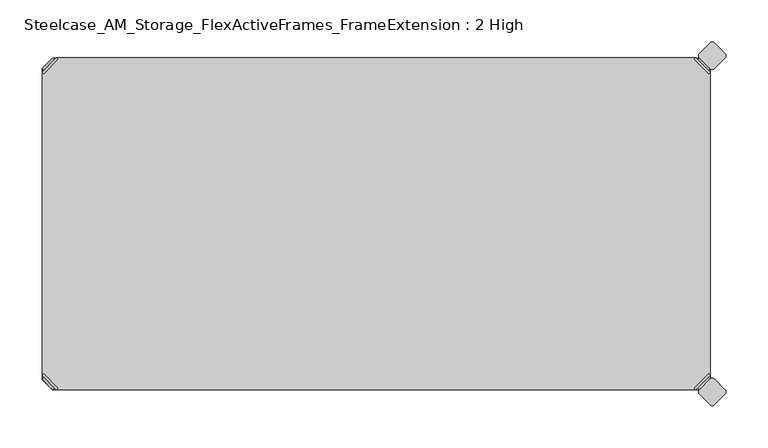
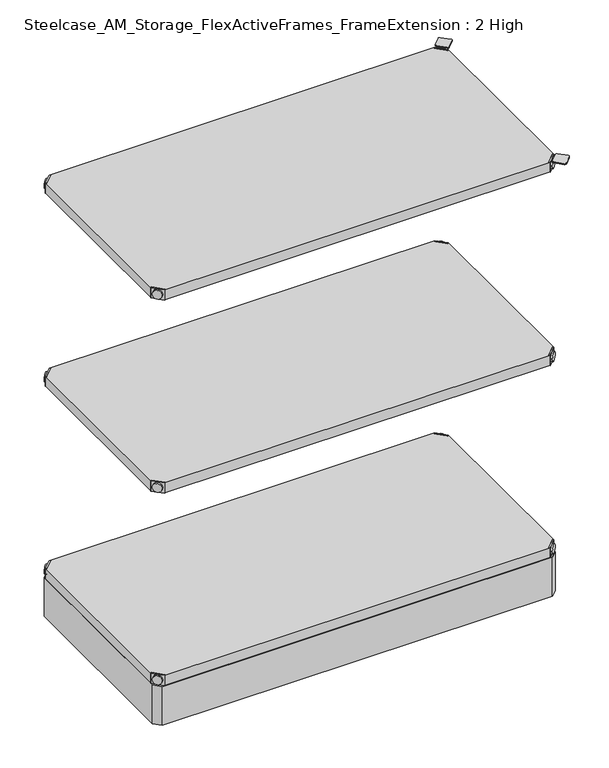
"""IFC4 building model written with IfcOpenShell, lengths in millimetres: furniture geometry, Steelcase_AM_Storage_FlexActiveFrames_FrameExtension : 2 High."""

from ifc_helpers import new_model, si_unit, point, frame, frame_2d, origin, place, context, project, spatial, polyline, circle_curve, trimmed, segment, composite_curve, outline, extrude, source, transform, mapped, element, save
from ifc_brep_helpers import plane_surface, cylinder_surface, advanced_brep


def steelcase_am_storage_flexactiveframes_frameextension_2_high_49f79886(model_context):
    return source(origin(), model_context, "Body", "SolidModel", [
        advanced_brep(
        [(2.54, 380.2870969, 520.2936), (4.3360512, 378.4910456, 520.2936), (21.5589544, 395.7139488, 520.2936), (19.7629031, 397.51, 520.2936), (19.7629031, 397.51, 498.9576), (2.54, 380.2870969, 498.9576), (4.8652723, 382.6123691, 510.1336), (17.4376309, 395.1847277, 510.1336), (30.2920522, 352.5350447, 499.9736), (47.5149553, 369.7579478, 499.9736), (21.5589544, 395.7139488, 499.9736), (4.3360512, 378.4910456, 499.9736), (30.2920522, 352.5350447, 498.9576), (47.5149553, 369.7579478, 498.9576), (15.1227513, 397.4996073, 510.1336), (2.5503927, 384.9272487, 510.1336)],
        [
            (0, 1),
            (1, 2),
            (2, 3),
            (3, 0),
            (3, 4),
            (4, 5),
            (5, 0),
            (6, 7, circle_curve(frame((11.1514516, 388.8985484, 510.1336), z_axis=(0.7071067811865446, -0.7071067811865505, 0.0), x_axis=(-0.7071067811865505, -0.7071067811865446, 0.0)), 8.89)),
            (7, 6, circle_curve(frame((11.1514516, 388.8985484, 510.1336), z_axis=(0.7071067811865446, -0.7071067811865505, 0.0), x_axis=(-0.7071067811865505, -0.7071067811865446, 0.0)), 8.89)),
            (8, 9, circle_curve(frame((38.9035037, 361.1464963, 499.9736), z_axis=(0.0, 0.0, 1.0), x_axis=(1.0, 0.0, 0.0)), 12.1784316)),
            (9, 10),
            (10, 11),
            (11, 8),
            (12, 5),
            (4, 13),
            (13, 12, circle_curve(frame((38.9035037, 361.1464963, 498.9576), z_axis=(0.0, 0.0, -1.0), x_axis=(1.0, 0.0, 0.0)), 12.1784316)),
            (14, 15, circle_curve(frame((8.836572, 391.213428, 510.1336), z_axis=(-0.7071067811865446, 0.7071067811865505, 0.0), x_axis=(-0.7071067811865505, -0.7071067811865446, 0.0)), 8.89)),
            (15, 14, circle_curve(frame((8.836572, 391.213428, 510.1336), z_axis=(-0.7071067811865446, 0.7071067811865505, 0.0), x_axis=(-0.7071067811865505, -0.7071067811865446, 0.0)), 8.89)),
            (14, 7),
            (6, 15),
            (1, 11),
            (10, 2),
            (8, 12),
            (13, 9),
        ],
        [
            plane_surface(frame((-19.6579872, 402.485084, 520.2936), z_axis=(0.0, 0.0, 1.0000000000000002), x_axis=(0.7071067811865436, -0.7071067811865516, 0.0))),
            plane_surface(frame((19.7629031, 397.51, 520.2936), z_axis=(-0.7071067811865447, 0.7071067811865503, 0.0), x_axis=(0.0, 0.0, -1.0))),
            plane_surface(frame((51.0819353, 361.1464963, 499.9736), z_axis=(0.0, 0.0, 1.0), x_axis=(0.0, 1.0, 0.0))),
            plane_surface(frame((51.0819353, 361.1464963, 498.9576), z_axis=(0.0, 0.0, -1.0), x_axis=(0.0, -1.0, 0.0))),
            plane_surface(frame((2.5503927, 384.9272487, 510.1336), z_axis=(-0.7071067811865446, 0.7071067811865505, 0.0), x_axis=(0.0, 0.0, 1.0))),
            cylinder_surface(frame((11.1514516, 388.8985484, 510.1336), z_axis=(-0.7071067811865446, 0.7071067811865505, 0.0), x_axis=(-0.7071067811865505, -0.7071067811865446, 0.0)), 8.89),
            plane_surface(frame((4.3360512, 378.4910456, 520.2936), z_axis=(0.7071067811865447, -0.7071067811865503, 0.0), x_axis=(0.0, 0.0, -1.0))),
            cylinder_surface(frame((38.9035037, 361.1464963, 498.9576), z_axis=(0.0, 0.0, 1.0), x_axis=(1.0, 0.0, 0.0)), 12.1784316),
            plane_surface(frame((2.54, 380.2870969, 520.2936), z_axis=(-0.7071067811865516, -0.7071067811865436, 0.0), x_axis=(0.0, 0.0, -1.0))),
            plane_surface(frame((21.5589544, 395.7139488, 520.2936), z_axis=(0.7071067811865513, 0.7071067811865437, 0.0), x_axis=(0.0, 0.0, -1.0))),
        ],
        [
            (0, [[1, 2, 3, 4]]),
            (1, [[-4, 5, 6, 7], [8, 9]]),
            (2, [[10, 11, 12, 13]]),
            (3, [[14, -6, 15, 16]]),
            (4, [[17, 18]]),
            (5, [[-17, 19, -8, 20]]),
            (5, [[-18, -20, -9, -19]]),
            (6, [[-2, 21, -12, 22]]),
            (7, [[-10, 23, -16, 24]]),
            (8, [[-1, -7, -14, -23, -13, -21]]),
            (9, [[-3, -22, -11, -24, -15, -5]]),
        ],
    ),
        advanced_brep(
        [(797.56, 380.2870969, 520.2936), (780.3370969, 397.51, 520.2936), (778.5410456, 395.7139488, 520.2936), (795.7639488, 378.4910456, 520.2936), (797.56, 380.2870969, 498.9576), (780.3370969, 397.51, 498.9576), (795.2347277, 382.6123691, 510.1336), (782.6623691, 395.1847277, 510.1336), (769.8079478, 352.5350447, 499.9736), (795.7639488, 378.4910456, 499.9736), (778.5410456, 395.7139488, 499.9736), (752.5850447, 369.7579478, 499.9736), (769.8079478, 352.5350447, 498.9576), (752.5850447, 369.7579478, 498.9576), (784.9772487, 397.4996073, 510.1336), (797.5496073, 384.9272487, 510.1336)],
        [
            (0, 1),
            (1, 2),
            (2, 3),
            (3, 0),
            (0, 4),
            (4, 5),
            (5, 1),
            (6, 7, circle_curve(frame((788.9485484, 388.8985484, 510.1336), z_axis=(-0.7071067811865446, -0.7071067811865505, 0.0), x_axis=(0.7071067811865505, -0.7071067811865446, 0.0)), 8.89)),
            (7, 6, circle_curve(frame((788.9485484, 388.8985484, 510.1336), z_axis=(-0.7071067811865446, -0.7071067811865505, 0.0), x_axis=(0.7071067811865505, -0.7071067811865446, 0.0)), 8.89)),
            (8, 9),
            (9, 10),
            (10, 11),
            (11, 8, circle_curve(frame((761.1964963, 361.1464963, 499.9736), z_axis=(0.0, 0.0, 1.0), x_axis=(-1.0, 0.0, 0.0)), 12.1784316)),
            (12, 13, circle_curve(frame((761.1964963, 361.1464963, 498.9576), z_axis=(0.0, 0.0, -1.0), x_axis=(-1.0, 0.0, 0.0)), 12.1784316)),
            (13, 5),
            (4, 12),
            (14, 15, circle_curve(frame((791.263428, 391.213428, 510.1336), z_axis=(0.7071067811865446, 0.7071067811865505, 0.0), x_axis=(0.7071067811865505, -0.7071067811865446, 0.0)), 8.89)),
            (15, 14, circle_curve(frame((791.263428, 391.213428, 510.1336), z_axis=(0.7071067811865446, 0.7071067811865505, 0.0), x_axis=(0.7071067811865505, -0.7071067811865446, 0.0)), 8.89)),
            (15, 6),
            (7, 14),
            (2, 10),
            (9, 3),
            (11, 13),
            (12, 8),
        ],
        [
            plane_surface(frame((819.7579872, 402.485084, 520.2936), z_axis=(0.0, 0.0, 1.0000000000000002), x_axis=(-0.7071067811865436, -0.7071067811865516, 0.0))),
            plane_surface(frame((780.3370969, 397.51, 520.2936), z_axis=(0.7071067811865447, 0.7071067811865503, 0.0), x_axis=(0.0, 0.0, -1.0))),
            plane_surface(frame((749.0180647, 361.1464963, 499.9736), z_axis=(0.0, 0.0, 1.0), x_axis=(0.0, 1.0, 0.0))),
            plane_surface(frame((749.0180647, 361.1464963, 498.9576), z_axis=(0.0, 0.0, -1.0), x_axis=(0.0, -1.0, 0.0))),
            plane_surface(frame((797.5496073, 384.9272487, 510.1336), z_axis=(0.7071067811865446, 0.7071067811865505, 0.0), x_axis=(0.0, 0.0, 1.0))),
            cylinder_surface(frame((788.9485484, 388.8985484, 510.1336), z_axis=(0.7071067811865446, 0.7071067811865505, 0.0), x_axis=(0.7071067811865505, -0.7071067811865446, 0.0)), 8.89),
            plane_surface(frame((795.7639488, 378.4910456, 520.2936), z_axis=(-0.7071067811865447, -0.7071067811865503, 0.0), x_axis=(0.0, 0.0, -1.0))),
            cylinder_surface(frame((761.1964963, 361.1464963, 498.9576), z_axis=(0.0, 0.0, 1.0), x_axis=(-1.0, 0.0, 0.0)), 12.1784316),
            plane_surface(frame((797.56, 380.2870969, 520.2936), z_axis=(0.7071067811865516, -0.7071067811865436, 0.0), x_axis=(0.0, 0.0, -1.0))),
            plane_surface(frame((778.5410456, 395.7139488, 520.2936), z_axis=(-0.7071067811865513, 0.7071067811865437, 0.0), x_axis=(0.0, 0.0, -1.0))),
        ],
        [
            (0, [[1, 2, 3, 4]]),
            (1, [[5, 6, 7, -1], [8, 9]]),
            (2, [[10, 11, 12, 13]]),
            (3, [[14, 15, -6, 16]]),
            (4, [[17, 18]]),
            (5, [[19, -9, 20, -18]]),
            (5, [[-20, -8, -19, -17]]),
            (6, [[21, -11, 22, -3]]),
            (7, [[23, -14, 24, -13]]),
            (8, [[-22, -10, -24, -16, -5, -4]]),
            (9, [[-7, -15, -23, -12, -21, -2]]),
        ],
    ),
        advanced_brep(
        [(797.56, 19.7629031, 520.2936), (795.7639488, 21.5589544, 520.2936), (778.5410456, 4.3360512, 520.2936), (780.3370969, 2.54, 520.2936), (780.3370969, 2.54, 498.9576), (797.56, 19.7629031, 498.9576), (795.2347277, 17.4376309, 510.1336), (782.6623691, 4.8652723, 510.1336), (769.8079478, 47.5149553, 499.9736), (752.5850447, 30.2920522, 499.9736), (778.5410456, 4.3360512, 499.9736), (795.7639488, 21.5589544, 499.9736), (769.8079478, 47.5149553, 498.9576), (752.5850447, 30.2920522, 498.9576), (784.9772487, 2.5503927, 510.1336), (797.5496073, 15.1227513, 510.1336)],
        [
            (0, 1),
            (1, 2),
            (2, 3),
            (3, 0),
            (3, 4),
            (4, 5),
            (5, 0),
            (6, 7, circle_curve(frame((788.9485484, 11.1514516, 510.1336), z_axis=(-0.7071067811865469, 0.7071067811865481, 0.0), x_axis=(0.7071067811865481, 0.7071067811865469, 0.0)), 8.89)),
            (7, 6, circle_curve(frame((788.9485484, 11.1514516, 510.1336), z_axis=(-0.7071067811865469, 0.7071067811865481, 0.0), x_axis=(0.7071067811865481, 0.7071067811865469, 0.0)), 8.89)),
            (8, 9, circle_curve(frame((761.1964963, 38.9035037, 499.9736), z_axis=(0.0, 0.0, 1.0), x_axis=(-1.0, 0.0, 0.0)), 12.1784316)),
            (9, 10),
            (10, 11),
            (11, 8),
            (12, 5),
            (4, 13),
            (13, 12, circle_curve(frame((761.1964963, 38.9035037, 498.9576), z_axis=(0.0, 0.0, -1.0), x_axis=(-1.0, 0.0, 0.0)), 12.1784316)),
            (14, 15, circle_curve(frame((791.263428, 8.836572, 510.1336), z_axis=(0.7071067811865469, -0.7071067811865481, 0.0), x_axis=(0.7071067811865481, 0.7071067811865469, 0.0)), 8.89)),
            (15, 14, circle_curve(frame((791.263428, 8.836572, 510.1336), z_axis=(0.7071067811865469, -0.7071067811865481, 0.0), x_axis=(0.7071067811865481, 0.7071067811865469, 0.0)), 8.89)),
            (14, 7),
            (6, 15),
            (1, 11),
            (10, 2),
            (8, 12),
            (13, 9),
        ],
        [
            plane_surface(frame((819.7579872, -2.435084, 520.2936), z_axis=(0.0, 0.0, 1.0000000000000002), x_axis=(-0.7071067811865459, 0.7071067811865492, 0.0))),
            plane_surface(frame((780.3370969, 2.54, 520.2936), z_axis=(0.707106781186547, -0.707106781186548, 0.0), x_axis=(0.0, 0.0, -1.0))),
            plane_surface(frame((749.0180647, 38.9035037, 499.9736), z_axis=(0.0, 0.0, 1.0), x_axis=(0.0, -1.0, 0.0))),
            plane_surface(frame((749.0180647, 38.9035037, 498.9576), z_axis=(0.0, 0.0, -1.0), x_axis=(0.0, 1.0, 0.0))),
            plane_surface(frame((797.5496073, 15.1227513, 510.1336), z_axis=(0.7071067811865469, -0.7071067811865481, 0.0), x_axis=(0.0, 0.0, 1.0))),
            cylinder_surface(frame((788.9485484, 11.1514516, 510.1336), z_axis=(0.7071067811865469, -0.7071067811865481, 0.0), x_axis=(0.7071067811865481, 0.7071067811865469, 0.0)), 8.89),
            plane_surface(frame((795.7639488, 21.5589544, 520.2936), z_axis=(-0.707106781186547, 0.707106781186548, 0.0), x_axis=(0.0, 0.0, -1.0))),
            cylinder_surface(frame((761.1964963, 38.9035037, 498.9576), z_axis=(0.0, 0.0, 1.0), x_axis=(-1.0, 0.0, 0.0)), 12.1784316),
            plane_surface(frame((797.56, 19.7629031, 520.2936), z_axis=(0.7071067811865492, 0.7071067811865459, 0.0), x_axis=(0.0, 0.0, -1.0))),
            plane_surface(frame((778.5410456, 4.3360512, 520.2936), z_axis=(-0.707106781186549, -0.707106781186546, 0.0), x_axis=(0.0, 0.0, -1.0))),
        ],
        [
            (0, [[1, 2, 3, 4]]),
            (1, [[-4, 5, 6, 7], [8, 9]]),
            (2, [[10, 11, 12, 13]]),
            (3, [[14, -6, 15, 16]]),
            (4, [[17, 18]]),
            (5, [[-17, 19, -8, 20]]),
            (5, [[-18, -20, -9, -19]]),
            (6, [[-2, 21, -12, 22]]),
            (7, [[-10, 23, -16, 24]]),
            (8, [[-1, -7, -14, -23, -13, -21]]),
            (9, [[-3, -22, -11, -24, -15, -5]]),
        ],
    ),
        advanced_brep(
        [(2.54, 19.7629031, 520.2936), (19.7629031, 2.54, 520.2936), (21.5589544, 4.3360512, 520.2936), (4.3360512, 21.5589544, 520.2936), (2.54, 19.7629031, 498.9576), (19.7629031, 2.54, 498.9576), (4.8652723, 17.4376309, 510.1336), (17.4376309, 4.8652723, 510.1336), (30.2920522, 47.5149553, 499.9736), (4.3360512, 21.5589544, 499.9736), (21.5589544, 4.3360512, 499.9736), (47.5149553, 30.2920522, 499.9736), (30.2920522, 47.5149553, 498.9576), (47.5149553, 30.2920522, 498.9576), (15.1227513, 2.5503927, 510.1336), (2.5503927, 15.1227513, 510.1336)],
        [
            (0, 1),
            (1, 2),
            (2, 3),
            (3, 0),
            (0, 4),
            (4, 5),
            (5, 1),
            (6, 7, circle_curve(frame((11.1514516, 11.1514516, 510.1336), z_axis=(0.7071067811865469, 0.7071067811865481, 0.0), x_axis=(-0.7071067811865481, 0.7071067811865469, 0.0)), 8.89)),
            (7, 6, circle_curve(frame((11.1514516, 11.1514516, 510.1336), z_axis=(0.7071067811865469, 0.7071067811865481, 0.0), x_axis=(-0.7071067811865481, 0.7071067811865469, 0.0)), 8.89)),
            (8, 9),
            (9, 10),
            (10, 11),
            (11, 8, circle_curve(frame((38.9035037, 38.9035037, 499.9736), z_axis=(0.0, 0.0, 1.0), x_axis=(1.0, 0.0, 0.0)), 12.1784316)),
            (12, 13, circle_curve(frame((38.9035037, 38.9035037, 498.9576), z_axis=(0.0, 0.0, -1.0), x_axis=(1.0, 0.0, 0.0)), 12.1784316)),
            (13, 5),
            (4, 12),
            (14, 15, circle_curve(frame((8.836572, 8.836572, 510.1336), z_axis=(-0.7071067811865469, -0.7071067811865481, 0.0), x_axis=(-0.7071067811865481, 0.7071067811865469, 0.0)), 8.89)),
            (15, 14, circle_curve(frame((8.836572, 8.836572, 510.1336), z_axis=(-0.7071067811865469, -0.7071067811865481, 0.0), x_axis=(-0.7071067811865481, 0.7071067811865469, 0.0)), 8.89)),
            (15, 6),
            (7, 14),
            (2, 10),
            (9, 3),
            (11, 13),
            (12, 8),
        ],
        [
            plane_surface(frame((-19.6579872, -2.435084, 520.2936), z_axis=(0.0, 0.0, 1.0000000000000002), x_axis=(0.7071067811865459, 0.7071067811865492, 0.0))),
            plane_surface(frame((19.7629031, 2.54, 520.2936), z_axis=(-0.707106781186547, -0.707106781186548, 0.0), x_axis=(0.0, 0.0, -1.0))),
            plane_surface(frame((51.0819353, 38.9035037, 499.9736), z_axis=(0.0, 0.0, 1.0), x_axis=(0.0, -1.0, 0.0))),
            plane_surface(frame((51.0819353, 38.9035037, 498.9576), z_axis=(0.0, 0.0, -1.0), x_axis=(0.0, 1.0, 0.0))),
            plane_surface(frame((2.5503927, 15.1227513, 510.1336), z_axis=(-0.7071067811865469, -0.7071067811865481, 0.0), x_axis=(0.0, 0.0, 1.0))),
            cylinder_surface(frame((11.1514516, 11.1514516, 510.1336), z_axis=(-0.7071067811865469, -0.7071067811865481, 0.0), x_axis=(-0.7071067811865481, 0.7071067811865469, 0.0)), 8.89),
            plane_surface(frame((4.3360512, 21.5589544, 520.2936), z_axis=(0.707106781186547, 0.707106781186548, 0.0), x_axis=(0.0, 0.0, -1.0))),
            cylinder_surface(frame((38.9035037, 38.9035037, 498.9576), z_axis=(0.0, 0.0, 1.0), x_axis=(1.0, 0.0, 0.0)), 12.1784316),
            plane_surface(frame((2.54, 19.7629031, 520.2936), z_axis=(-0.7071067811865492, 0.7071067811865459, 0.0), x_axis=(0.0, 0.0, -1.0))),
            plane_surface(frame((21.5589544, 4.3360512, 520.2936), z_axis=(0.707106781186549, -0.707106781186546, 0.0), x_axis=(0.0, 0.0, -1.0))),
        ],
        [
            (0, [[1, 2, 3, 4]]),
            (1, [[5, 6, 7, -1], [8, 9]]),
            (2, [[10, 11, 12, 13]]),
            (3, [[14, 15, -6, 16]]),
            (4, [[17, 18]]),
            (5, [[19, -9, 20, -18]]),
            (5, [[-20, -8, -19, -17]]),
            (6, [[21, -11, 22, -3]]),
            (7, [[23, -14, 24, -13]]),
            (8, [[-22, -10, -24, -16, -5, -4]]),
            (9, [[-7, -15, -23, -12, -21, -2]]),
        ],
    ),
        extrude(outline(polyline([(19.7629031, 2.54), (21.5589544, 4.3360512), (4.3360512, 21.5589544), (2.54, 19.7629031), (2.54, 380.2870969), (4.3360512, 378.4910456), (21.5589544, 395.7139488), (19.7629031, 397.51), (780.3370969, 397.51), (778.5410456, 395.7139488), (795.7639488, 378.4910456), (797.56, 380.2870969), (797.56, 19.7629031), (795.7639488, 21.5589544), (778.5410456, 4.3360512), (780.3370969, 2.54), (19.7629031, 2.54)])), frame((0.0, 0.0, 499.9736), z_axis=(0.0, 0.0, 1.0), x_axis=(1.0, 0.0, 0.0)), (0.0, 0.0, 1.0), 20.32),
        advanced_brep(
        [(2.54, 380.2870969, 923.29), (4.3360512, 378.4910456, 923.29), (21.5589544, 395.7139488, 923.29), (19.7629031, 397.51, 923.29), (19.7629031, 397.51, 901.954), (2.54, 380.2870969, 901.954), (4.8652723, 382.6123691, 913.13), (17.4376309, 395.1847277, 913.13), (30.2920522, 352.5350447, 902.97), (47.5149553, 369.7579478, 902.97), (21.5589544, 395.7139488, 902.97), (4.3360512, 378.4910456, 902.97), (30.2920522, 352.5350447, 901.954), (47.5149553, 369.7579478, 901.954), (15.1227513, 397.4996073, 913.13), (2.5503927, 384.9272487, 913.13)],
        [
            (0, 1),
            (1, 2),
            (2, 3),
            (3, 0),
            (3, 4),
            (4, 5),
            (5, 0),
            (6, 7, circle_curve(frame((11.1514516, 388.8985484, 913.13), z_axis=(0.7071067811865446, -0.7071067811865505, 0.0), x_axis=(-0.7071067811865505, -0.7071067811865446, 0.0)), 8.89)),
            (7, 6, circle_curve(frame((11.1514516, 388.8985484, 913.13), z_axis=(0.7071067811865446, -0.7071067811865505, 0.0), x_axis=(-0.7071067811865505, -0.7071067811865446, 0.0)), 8.89)),
            (8, 9, circle_curve(frame((38.9035037, 361.1464963, 902.97), z_axis=(0.0, 0.0, 1.0), x_axis=(1.0, 0.0, 0.0)), 12.1784316)),
            (9, 10),
            (10, 11),
            (11, 8),
            (12, 5),
            (4, 13),
            (13, 12, circle_curve(frame((38.9035037, 361.1464963, 901.954), z_axis=(0.0, 0.0, -1.0), x_axis=(1.0, 0.0, 0.0)), 12.1784316)),
            (14, 15, circle_curve(frame((8.836572, 391.213428, 913.13), z_axis=(-0.7071067811865446, 0.7071067811865505, 0.0), x_axis=(-0.7071067811865505, -0.7071067811865446, 0.0)), 8.89)),
            (15, 14, circle_curve(frame((8.836572, 391.213428, 913.13), z_axis=(-0.7071067811865446, 0.7071067811865505, 0.0), x_axis=(-0.7071067811865505, -0.7071067811865446, 0.0)), 8.89)),
            (14, 7),
            (6, 15),
            (1, 11),
            (10, 2),
            (8, 12),
            (13, 9),
        ],
        [
            plane_surface(frame((-19.6579872, 402.485084, 923.29), z_axis=(0.0, 0.0, 1.0000000000000002), x_axis=(0.7071067811865436, -0.7071067811865516, 0.0))),
            plane_surface(frame((19.7629031, 397.51, 923.29), z_axis=(-0.7071067811865447, 0.7071067811865503, 0.0), x_axis=(0.0, 0.0, -1.0))),
            plane_surface(frame((51.0819353, 361.1464963, 902.97), z_axis=(0.0, 0.0, 1.0), x_axis=(0.0, 1.0, 0.0))),
            plane_surface(frame((51.0819353, 361.1464963, 901.954), z_axis=(0.0, 0.0, -1.0), x_axis=(0.0, -1.0, 0.0))),
            plane_surface(frame((2.5503927, 384.9272487, 913.13), z_axis=(-0.7071067811865446, 0.7071067811865505, 0.0), x_axis=(0.0, 0.0, 1.0))),
            cylinder_surface(frame((11.1514516, 388.8985484, 913.13), z_axis=(-0.7071067811865446, 0.7071067811865505, 0.0), x_axis=(-0.7071067811865505, -0.7071067811865446, 0.0)), 8.89),
            plane_surface(frame((4.3360512, 378.4910456, 923.29), z_axis=(0.7071067811865447, -0.7071067811865503, 0.0), x_axis=(0.0, 0.0, -1.0))),
            cylinder_surface(frame((38.9035037, 361.1464963, 901.954), z_axis=(0.0, 0.0, 1.0), x_axis=(1.0, 0.0, 0.0)), 12.1784316),
            plane_surface(frame((2.54, 380.2870969, 923.29), z_axis=(-0.7071067811865516, -0.7071067811865436, 0.0), x_axis=(0.0, 0.0, -1.0))),
            plane_surface(frame((21.5589544, 395.7139488, 923.29), z_axis=(0.7071067811865513, 0.7071067811865437, 0.0), x_axis=(0.0, 0.0, -1.0))),
        ],
        [
            (0, [[1, 2, 3, 4]]),
            (1, [[-4, 5, 6, 7], [8, 9]]),
            (2, [[10, 11, 12, 13]]),
            (3, [[14, -6, 15, 16]]),
            (4, [[17, 18]]),
            (5, [[-17, 19, -8, 20]]),
            (5, [[-18, -20, -9, -19]]),
            (6, [[-2, 21, -12, 22]]),
            (7, [[-10, 23, -16, 24]]),
            (8, [[-1, -7, -14, -23, -13, -21]]),
            (9, [[-3, -22, -11, -24, -15, -5]]),
        ],
    ),
        advanced_brep(
        [(797.56, 380.2870969, 923.29), (780.3370969, 397.51, 923.29), (778.5410456, 395.7139488, 923.29), (795.7639488, 378.4910456, 923.29), (797.56, 380.2870969, 901.954), (780.3370969, 397.51, 901.954), (795.2347277, 382.6123691, 913.13), (782.6623691, 395.1847277, 913.13), (769.8079478, 352.5350447, 902.97), (795.7639488, 378.4910456, 902.97), (778.5410456, 395.7139488, 902.97), (752.5850447, 369.7579478, 902.97), (769.8079478, 352.5350447, 901.954), (752.5850447, 369.7579478, 901.954), (784.9772487, 397.4996073, 913.13), (797.5496073, 384.9272487, 913.13)],
        [
            (0, 1),
            (1, 2),
            (2, 3),
            (3, 0),
            (0, 4),
            (4, 5),
            (5, 1),
            (6, 7, circle_curve(frame((788.9485484, 388.8985484, 913.13), z_axis=(-0.7071067811865446, -0.7071067811865505, 0.0), x_axis=(0.7071067811865505, -0.7071067811865446, 0.0)), 8.89)),
            (7, 6, circle_curve(frame((788.9485484, 388.8985484, 913.13), z_axis=(-0.7071067811865446, -0.7071067811865505, 0.0), x_axis=(0.7071067811865505, -0.7071067811865446, 0.0)), 8.89)),
            (8, 9),
            (9, 10),
            (10, 11),
            (11, 8, circle_curve(frame((761.1964963, 361.1464963, 902.97), z_axis=(0.0, 0.0, 1.0), x_axis=(-1.0, 0.0, 0.0)), 12.1784316)),
            (12, 13, circle_curve(frame((761.1964963, 361.1464963, 901.954), z_axis=(0.0, 0.0, -1.0), x_axis=(-1.0, 0.0, 0.0)), 12.1784316)),
            (13, 5),
            (4, 12),
            (14, 15, circle_curve(frame((791.263428, 391.213428, 913.13), z_axis=(0.7071067811865446, 0.7071067811865505, 0.0), x_axis=(0.7071067811865505, -0.7071067811865446, 0.0)), 8.89)),
            (15, 14, circle_curve(frame((791.263428, 391.213428, 913.13), z_axis=(0.7071067811865446, 0.7071067811865505, 0.0), x_axis=(0.7071067811865505, -0.7071067811865446, 0.0)), 8.89)),
            (15, 6),
            (7, 14),
            (2, 10),
            (9, 3),
            (11, 13),
            (12, 8),
        ],
        [
            plane_surface(frame((819.7579872, 402.485084, 923.29), z_axis=(0.0, 0.0, 1.0000000000000002), x_axis=(-0.7071067811865436, -0.7071067811865516, 0.0))),
            plane_surface(frame((780.3370969, 397.51, 923.29), z_axis=(0.7071067811865447, 0.7071067811865503, 0.0), x_axis=(0.0, 0.0, -1.0))),
            plane_surface(frame((749.0180647, 361.1464963, 902.97), z_axis=(0.0, 0.0, 1.0), x_axis=(0.0, 1.0, 0.0))),
            plane_surface(frame((749.0180647, 361.1464963, 901.954), z_axis=(0.0, 0.0, -1.0), x_axis=(0.0, -1.0, 0.0))),
            plane_surface(frame((797.5496073, 384.9272487, 913.13), z_axis=(0.7071067811865446, 0.7071067811865505, 0.0), x_axis=(0.0, 0.0, 1.0))),
            cylinder_surface(frame((788.9485484, 388.8985484, 913.13), z_axis=(0.7071067811865446, 0.7071067811865505, 0.0), x_axis=(0.7071067811865505, -0.7071067811865446, 0.0)), 8.89),
            plane_surface(frame((795.7639488, 378.4910456, 923.29), z_axis=(-0.7071067811865447, -0.7071067811865503, 0.0), x_axis=(0.0, 0.0, -1.0))),
            cylinder_surface(frame((761.1964963, 361.1464963, 901.954), z_axis=(0.0, 0.0, 1.0), x_axis=(-1.0, 0.0, 0.0)), 12.1784316),
            plane_surface(frame((797.56, 380.2870969, 923.29), z_axis=(0.7071067811865516, -0.7071067811865436, 0.0), x_axis=(0.0, 0.0, -1.0))),
            plane_surface(frame((778.5410456, 395.7139488, 923.29), z_axis=(-0.7071067811865513, 0.7071067811865437, 0.0), x_axis=(0.0, 0.0, -1.0))),
        ],
        [
            (0, [[1, 2, 3, 4]]),
            (1, [[5, 6, 7, -1], [8, 9]]),
            (2, [[10, 11, 12, 13]]),
            (3, [[14, 15, -6, 16]]),
            (4, [[17, 18]]),
            (5, [[19, -9, 20, -18]]),
            (5, [[-20, -8, -19, -17]]),
            (6, [[21, -11, 22, -3]]),
            (7, [[23, -14, 24, -13]]),
            (8, [[-22, -10, -24, -16, -5, -4]]),
            (9, [[-7, -15, -23, -12, -21, -2]]),
        ],
    ),
        advanced_brep(
        [(797.56, 19.7629031, 923.29), (795.7639488, 21.5589544, 923.29), (778.5410456, 4.3360512, 923.29), (780.3370969, 2.54, 923.29), (780.3370969, 2.54, 901.954), (797.56, 19.7629031, 901.954), (795.2347277, 17.4376309, 913.13), (782.6623691, 4.8652723, 913.13), (769.8079478, 47.5149553, 902.97), (752.5850447, 30.2920522, 902.97), (778.5410456, 4.3360512, 902.97), (795.7639488, 21.5589544, 902.97), (769.8079478, 47.5149553, 901.954), (752.5850447, 30.2920522, 901.954), (784.9772487, 2.5503927, 913.13), (797.5496073, 15.1227513, 913.13)],
        [
            (0, 1),
            (1, 2),
            (2, 3),
            (3, 0),
            (3, 4),
            (4, 5),
            (5, 0),
            (6, 7, circle_curve(frame((788.9485484, 11.1514516, 913.13), z_axis=(-0.7071067811865469, 0.7071067811865481, 0.0), x_axis=(0.7071067811865481, 0.7071067811865469, 0.0)), 8.89)),
            (7, 6, circle_curve(frame((788.9485484, 11.1514516, 913.13), z_axis=(-0.7071067811865469, 0.7071067811865481, 0.0), x_axis=(0.7071067811865481, 0.7071067811865469, 0.0)), 8.89)),
            (8, 9, circle_curve(frame((761.1964963, 38.9035037, 902.97), z_axis=(0.0, 0.0, 1.0), x_axis=(-1.0, 0.0, 0.0)), 12.1784316)),
            (9, 10),
            (10, 11),
            (11, 8),
            (12, 5),
            (4, 13),
            (13, 12, circle_curve(frame((761.1964963, 38.9035037, 901.954), z_axis=(0.0, 0.0, -1.0), x_axis=(-1.0, 0.0, 0.0)), 12.1784316)),
            (14, 15, circle_curve(frame((791.263428, 8.836572, 913.13), z_axis=(0.7071067811865469, -0.7071067811865481, 0.0), x_axis=(0.7071067811865481, 0.7071067811865469, 0.0)), 8.89)),
            (15, 14, circle_curve(frame((791.263428, 8.836572, 913.13), z_axis=(0.7071067811865469, -0.7071067811865481, 0.0), x_axis=(0.7071067811865481, 0.7071067811865469, 0.0)), 8.89)),
            (14, 7),
            (6, 15),
            (1, 11),
            (10, 2),
            (8, 12),
            (13, 9),
        ],
        [
            plane_surface(frame((819.7579872, -2.435084, 923.29), z_axis=(0.0, 0.0, 1.0000000000000002), x_axis=(-0.7071067811865459, 0.7071067811865492, 0.0))),
            plane_surface(frame((780.3370969, 2.54, 923.29), z_axis=(0.707106781186547, -0.707106781186548, 0.0), x_axis=(0.0, 0.0, -1.0))),
            plane_surface(frame((749.0180647, 38.9035037, 902.97), z_axis=(0.0, 0.0, 1.0), x_axis=(0.0, -1.0, 0.0))),
            plane_surface(frame((749.0180647, 38.9035037, 901.954), z_axis=(0.0, 0.0, -1.0), x_axis=(0.0, 1.0, 0.0))),
            plane_surface(frame((797.5496073, 15.1227513, 913.13), z_axis=(0.7071067811865469, -0.7071067811865481, 0.0), x_axis=(0.0, 0.0, 1.0))),
            cylinder_surface(frame((788.9485484, 11.1514516, 913.13), z_axis=(0.7071067811865469, -0.7071067811865481, 0.0), x_axis=(0.7071067811865481, 0.7071067811865469, 0.0)), 8.89),
            plane_surface(frame((795.7639488, 21.5589544, 923.29), z_axis=(-0.707106781186547, 0.707106781186548, 0.0), x_axis=(0.0, 0.0, -1.0))),
            cylinder_surface(frame((761.1964963, 38.9035037, 901.954), z_axis=(0.0, 0.0, 1.0), x_axis=(-1.0, 0.0, 0.0)), 12.1784316),
            plane_surface(frame((797.56, 19.7629031, 923.29), z_axis=(0.7071067811865492, 0.7071067811865459, 0.0), x_axis=(0.0, 0.0, -1.0))),
            plane_surface(frame((778.5410456, 4.3360512, 923.29), z_axis=(-0.707106781186549, -0.707106781186546, 0.0), x_axis=(0.0, 0.0, -1.0))),
        ],
        [
            (0, [[1, 2, 3, 4]]),
            (1, [[-4, 5, 6, 7], [8, 9]]),
            (2, [[10, 11, 12, 13]]),
            (3, [[14, -6, 15, 16]]),
            (4, [[17, 18]]),
            (5, [[-17, 19, -8, 20]]),
            (5, [[-18, -20, -9, -19]]),
            (6, [[-2, 21, -12, 22]]),
            (7, [[-10, 23, -16, 24]]),
            (8, [[-1, -7, -14, -23, -13, -21]]),
            (9, [[-3, -22, -11, -24, -15, -5]]),
        ],
    ),
        advanced_brep(
        [(2.54, 19.7629031, 923.29), (19.7629031, 2.54, 923.29), (21.5589544, 4.3360512, 923.29), (4.3360512, 21.5589544, 923.29), (2.54, 19.7629031, 901.954), (19.7629031, 2.54, 901.954), (4.8652723, 17.4376309, 913.13), (17.4376309, 4.8652723, 913.13), (30.2920522, 47.5149553, 902.97), (4.3360512, 21.5589544, 902.97), (21.5589544, 4.3360512, 902.97), (47.5149553, 30.2920522, 902.97), (30.2920522, 47.5149553, 901.954), (47.5149553, 30.2920522, 901.954), (15.1227513, 2.5503927, 913.13), (2.5503927, 15.1227513, 913.13)],
        [
            (0, 1),
            (1, 2),
            (2, 3),
            (3, 0),
            (0, 4),
            (4, 5),
            (5, 1),
            (6, 7, circle_curve(frame((11.1514516, 11.1514516, 913.13), z_axis=(0.7071067811865469, 0.7071067811865481, 0.0), x_axis=(-0.7071067811865481, 0.7071067811865469, 0.0)), 8.89)),
            (7, 6, circle_curve(frame((11.1514516, 11.1514516, 913.13), z_axis=(0.7071067811865469, 0.7071067811865481, 0.0), x_axis=(-0.7071067811865481, 0.7071067811865469, 0.0)), 8.89)),
            (8, 9),
            (9, 10),
            (10, 11),
            (11, 8, circle_curve(frame((38.9035037, 38.9035037, 902.97), z_axis=(0.0, 0.0, 1.0), x_axis=(1.0, 0.0, 0.0)), 12.1784316)),
            (12, 13, circle_curve(frame((38.9035037, 38.9035037, 901.954), z_axis=(0.0, 0.0, -1.0), x_axis=(1.0, 0.0, 0.0)), 12.1784316)),
            (13, 5),
            (4, 12),
            (14, 15, circle_curve(frame((8.836572, 8.836572, 913.13), z_axis=(-0.7071067811865469, -0.7071067811865481, 0.0), x_axis=(-0.7071067811865481, 0.7071067811865469, 0.0)), 8.89)),
            (15, 14, circle_curve(frame((8.836572, 8.836572, 913.13), z_axis=(-0.7071067811865469, -0.7071067811865481, 0.0), x_axis=(-0.7071067811865481, 0.7071067811865469, 0.0)), 8.89)),
            (15, 6),
            (7, 14),
            (2, 10),
            (9, 3),
            (11, 13),
            (12, 8),
        ],
        [
            plane_surface(frame((-19.6579872, -2.435084, 923.29), z_axis=(0.0, 0.0, 1.0000000000000002), x_axis=(0.7071067811865459, 0.7071067811865492, 0.0))),
            plane_surface(frame((19.7629031, 2.54, 923.29), z_axis=(-0.707106781186547, -0.707106781186548, 0.0), x_axis=(0.0, 0.0, -1.0))),
            plane_surface(frame((51.0819353, 38.9035037, 902.97), z_axis=(0.0, 0.0, 1.0), x_axis=(0.0, -1.0, 0.0))),
            plane_surface(frame((51.0819353, 38.9035037, 901.954), z_axis=(0.0, 0.0, -1.0), x_axis=(0.0, 1.0, 0.0))),
            plane_surface(frame((2.5503927, 15.1227513, 913.13), z_axis=(-0.7071067811865469, -0.7071067811865481, 0.0), x_axis=(0.0, 0.0, 1.0))),
            cylinder_surface(frame((11.1514516, 11.1514516, 913.13), z_axis=(-0.7071067811865469, -0.7071067811865481, 0.0), x_axis=(-0.7071067811865481, 0.7071067811865469, 0.0)), 8.89),
            plane_surface(frame((4.3360512, 21.5589544, 923.29), z_axis=(0.707106781186547, 0.707106781186548, 0.0), x_axis=(0.0, 0.0, -1.0))),
            cylinder_surface(frame((38.9035037, 38.9035037, 901.954), z_axis=(0.0, 0.0, 1.0), x_axis=(1.0, 0.0, 0.0)), 12.1784316),
            plane_surface(frame((2.54, 19.7629031, 923.29), z_axis=(-0.7071067811865492, 0.7071067811865459, 0.0), x_axis=(0.0, 0.0, -1.0))),
            plane_surface(frame((21.5589544, 4.3360512, 923.29), z_axis=(0.707106781186549, -0.707106781186546, 0.0), x_axis=(0.0, 0.0, -1.0))),
        ],
        [
            (0, [[1, 2, 3, 4]]),
            (1, [[5, 6, 7, -1], [8, 9]]),
            (2, [[10, 11, 12, 13]]),
            (3, [[14, 15, -6, 16]]),
            (4, [[17, 18]]),
            (5, [[19, -9, 20, -18]]),
            (5, [[-20, -8, -19, -17]]),
            (6, [[21, -11, 22, -3]]),
            (7, [[23, -14, 24, -13]]),
            (8, [[-22, -10, -24, -16, -5, -4]]),
            (9, [[-7, -15, -23, -12, -21, -2]]),
        ],
    ),
        extrude(outline(polyline([(19.7629031, 2.54), (21.5589544, 4.3360512), (4.3360512, 21.5589544), (2.54, 19.7629031), (2.54, 380.2870969), (4.3360512, 378.4910456), (21.5589544, 395.7139488), (19.7629031, 397.51), (780.3370969, 397.51), (778.5410456, 395.7139488), (795.7639488, 378.4910456), (797.56, 380.2870969), (797.56, 19.7629031), (795.7639488, 21.5589544), (778.5410456, 4.3360512), (780.3370969, 2.54), (19.7629031, 2.54)])), frame((0.0, 0.0, 902.97), z_axis=(0.0, 0.0, 1.0), x_axis=(1.0, 0.0, 0.0)), (0.0, 0.0, 1.0), 20.32),
        advanced_brep(
        [(2.54, 380.2870969, 118.9736), (4.3360512, 378.4910456, 118.9736), (21.5589544, 395.7139488, 118.9736), (19.7629031, 397.51, 118.9736), (19.7629031, 397.51, 97.6376), (2.54, 380.2870969, 97.6376), (4.8652723, 382.6123691, 108.8136), (17.4376309, 395.1847277, 108.8136), (30.2920522, 352.5350447, 98.6536), (47.5149553, 369.7579478, 98.6536), (21.5589544, 395.7139488, 98.6536), (4.3360512, 378.4910456, 98.6536), (30.2920522, 352.5350447, 97.6376), (47.5149553, 369.7579478, 97.6376), (15.1227513, 397.4996073, 108.8136), (2.5503927, 384.9272487, 108.8136)],
        [
            (0, 1),
            (1, 2),
            (2, 3),
            (3, 0),
            (3, 4),
            (4, 5),
            (5, 0),
            (6, 7, circle_curve(frame((11.1514516, 388.8985484, 108.8136), z_axis=(0.7071067811865446, -0.7071067811865505, 0.0), x_axis=(-0.7071067811865505, -0.7071067811865446, 0.0)), 8.89)),
            (7, 6, circle_curve(frame((11.1514516, 388.8985484, 108.8136), z_axis=(0.7071067811865446, -0.7071067811865505, 0.0), x_axis=(-0.7071067811865505, -0.7071067811865446, 0.0)), 8.89)),
            (8, 9, circle_curve(frame((38.9035037, 361.1464963, 98.6536), z_axis=(0.0, 0.0, 1.0), x_axis=(1.0, 0.0, 0.0)), 12.1784316)),
            (9, 10),
            (10, 11),
            (11, 8),
            (12, 5),
            (4, 13),
            (13, 12, circle_curve(frame((38.9035037, 361.1464963, 97.6376), z_axis=(0.0, 0.0, -1.0), x_axis=(1.0, 0.0, 0.0)), 12.1784316)),
            (14, 15, circle_curve(frame((8.836572, 391.213428, 108.8136), z_axis=(-0.7071067811865446, 0.7071067811865505, 0.0), x_axis=(-0.7071067811865505, -0.7071067811865446, 0.0)), 8.89)),
            (15, 14, circle_curve(frame((8.836572, 391.213428, 108.8136), z_axis=(-0.7071067811865446, 0.7071067811865505, 0.0), x_axis=(-0.7071067811865505, -0.7071067811865446, 0.0)), 8.89)),
            (14, 7),
            (6, 15),
            (1, 11),
            (10, 2),
            (8, 12),
            (13, 9),
        ],
        [
            plane_surface(frame((-19.6579872, 402.485084, 118.9736), z_axis=(0.0, 0.0, 1.0000000000000002), x_axis=(0.7071067811865436, -0.7071067811865516, 0.0))),
            plane_surface(frame((19.7629031, 397.51, 118.9736), z_axis=(-0.7071067811865447, 0.7071067811865503, 0.0), x_axis=(0.0, 0.0, -1.0))),
            plane_surface(frame((51.0819353, 361.1464963, 98.6536), z_axis=(0.0, 0.0, 1.0), x_axis=(0.0, 1.0, 0.0))),
            plane_surface(frame((51.0819353, 361.1464963, 97.6376), z_axis=(0.0, 0.0, -1.0), x_axis=(0.0, -1.0, 0.0))),
            plane_surface(frame((2.5503927, 384.9272487, 108.8136), z_axis=(-0.7071067811865446, 0.7071067811865505, 0.0), x_axis=(0.0, 0.0, 1.0))),
            cylinder_surface(frame((11.1514516, 388.8985484, 108.8136), z_axis=(-0.7071067811865446, 0.7071067811865505, 0.0), x_axis=(-0.7071067811865505, -0.7071067811865446, 0.0)), 8.89),
            plane_surface(frame((4.3360512, 378.4910456, 118.9736), z_axis=(0.7071067811865447, -0.7071067811865503, 0.0), x_axis=(0.0, 0.0, -1.0))),
            cylinder_surface(frame((38.9035037, 361.1464963, 97.6376), z_axis=(0.0, 0.0, 1.0), x_axis=(1.0, 0.0, 0.0)), 12.1784316),
            plane_surface(frame((2.54, 380.2870969, 118.9736), z_axis=(-0.7071067811865516, -0.7071067811865436, 0.0), x_axis=(0.0, 0.0, -1.0))),
            plane_surface(frame((21.5589544, 395.7139488, 118.9736), z_axis=(0.7071067811865513, 0.7071067811865437, 0.0), x_axis=(0.0, 0.0, -1.0))),
        ],
        [
            (0, [[1, 2, 3, 4]]),
            (1, [[-4, 5, 6, 7], [8, 9]]),
            (2, [[10, 11, 12, 13]]),
            (3, [[14, -6, 15, 16]]),
            (4, [[17, 18]]),
            (5, [[-17, 19, -8, 20]]),
            (5, [[-18, -20, -9, -19]]),
            (6, [[-2, 21, -12, 22]]),
            (7, [[-10, 23, -16, 24]]),
            (8, [[-1, -7, -14, -23, -13, -21]]),
            (9, [[-3, -22, -11, -24, -15, -5]]),
        ],
    ),
        advanced_brep(
        [(797.56, 380.2870969, 118.9736), (780.3370969, 397.51, 118.9736), (778.5410456, 395.7139488, 118.9736), (795.7639488, 378.4910456, 118.9736), (797.56, 380.2870969, 97.6376), (780.3370969, 397.51, 97.6376), (795.2347277, 382.6123691, 108.8136), (782.6623691, 395.1847277, 108.8136), (769.8079478, 352.5350447, 98.6536), (795.7639488, 378.4910456, 98.6536), (778.5410456, 395.7139488, 98.6536), (752.5850447, 369.7579478, 98.6536), (769.8079478, 352.5350447, 97.6376), (752.5850447, 369.7579478, 97.6376), (784.9772487, 397.4996073, 108.8136), (797.5496073, 384.9272487, 108.8136)],
        [
            (0, 1),
            (1, 2),
            (2, 3),
            (3, 0),
            (0, 4),
            (4, 5),
            (5, 1),
            (6, 7, circle_curve(frame((788.9485484, 388.8985484, 108.8136), z_axis=(-0.7071067811865446, -0.7071067811865505, 0.0), x_axis=(0.7071067811865505, -0.7071067811865446, 0.0)), 8.89)),
            (7, 6, circle_curve(frame((788.9485484, 388.8985484, 108.8136), z_axis=(-0.7071067811865446, -0.7071067811865505, 0.0), x_axis=(0.7071067811865505, -0.7071067811865446, 0.0)), 8.89)),
            (8, 9),
            (9, 10),
            (10, 11),
            (11, 8, circle_curve(frame((761.1964963, 361.1464963, 98.6536), z_axis=(0.0, 0.0, 1.0), x_axis=(-1.0, 0.0, 0.0)), 12.1784316)),
            (12, 13, circle_curve(frame((761.1964963, 361.1464963, 97.6376), z_axis=(0.0, 0.0, -1.0), x_axis=(-1.0, 0.0, 0.0)), 12.1784316)),
            (13, 5),
            (4, 12),
            (14, 15, circle_curve(frame((791.263428, 391.213428, 108.8136), z_axis=(0.7071067811865446, 0.7071067811865505, 0.0), x_axis=(0.7071067811865505, -0.7071067811865446, 0.0)), 8.89)),
            (15, 14, circle_curve(frame((791.263428, 391.213428, 108.8136), z_axis=(0.7071067811865446, 0.7071067811865505, 0.0), x_axis=(0.7071067811865505, -0.7071067811865446, 0.0)), 8.89)),
            (15, 6),
            (7, 14),
            (2, 10),
            (9, 3),
            (11, 13),
            (12, 8),
        ],
        [
            plane_surface(frame((819.7579872, 402.485084, 118.9736), z_axis=(0.0, 0.0, 1.0000000000000002), x_axis=(-0.7071067811865436, -0.7071067811865516, 0.0))),
            plane_surface(frame((780.3370969, 397.51, 118.9736), z_axis=(0.7071067811865447, 0.7071067811865503, 0.0), x_axis=(0.0, 0.0, -1.0))),
            plane_surface(frame((749.0180647, 361.1464963, 98.6536), z_axis=(0.0, 0.0, 1.0), x_axis=(0.0, 1.0, 0.0))),
            plane_surface(frame((749.0180647, 361.1464963, 97.6376), z_axis=(0.0, 0.0, -1.0), x_axis=(0.0, -1.0, 0.0))),
            plane_surface(frame((797.5496073, 384.9272487, 108.8136), z_axis=(0.7071067811865446, 0.7071067811865505, 0.0), x_axis=(0.0, 0.0, 1.0))),
            cylinder_surface(frame((788.9485484, 388.8985484, 108.8136), z_axis=(0.7071067811865446, 0.7071067811865505, 0.0), x_axis=(0.7071067811865505, -0.7071067811865446, 0.0)), 8.89),
            plane_surface(frame((795.7639488, 378.4910456, 118.9736), z_axis=(-0.7071067811865447, -0.7071067811865503, 0.0), x_axis=(0.0, 0.0, -1.0))),
            cylinder_surface(frame((761.1964963, 361.1464963, 97.6376), z_axis=(0.0, 0.0, 1.0), x_axis=(-1.0, 0.0, 0.0)), 12.1784316),
            plane_surface(frame((797.56, 380.2870969, 118.9736), z_axis=(0.7071067811865516, -0.7071067811865436, 0.0), x_axis=(0.0, 0.0, -1.0))),
            plane_surface(frame((778.5410456, 395.7139488, 118.9736), z_axis=(-0.7071067811865513, 0.7071067811865437, 0.0), x_axis=(0.0, 0.0, -1.0))),
        ],
        [
            (0, [[1, 2, 3, 4]]),
            (1, [[5, 6, 7, -1], [8, 9]]),
            (2, [[10, 11, 12, 13]]),
            (3, [[14, 15, -6, 16]]),
            (4, [[17, 18]]),
            (5, [[19, -9, 20, -18]]),
            (5, [[-20, -8, -19, -17]]),
            (6, [[21, -11, 22, -3]]),
            (7, [[23, -14, 24, -13]]),
            (8, [[-22, -10, -24, -16, -5, -4]]),
            (9, [[-7, -15, -23, -12, -21, -2]]),
        ],
    ),
        advanced_brep(
        [(797.56, 19.7629031, 118.9736), (795.7639488, 21.5589544, 118.9736), (778.5410456, 4.3360512, 118.9736), (780.3370969, 2.54, 118.9736), (780.3370969, 2.54, 97.6376), (797.56, 19.7629031, 97.6376), (795.2347277, 17.4376309, 108.8136), (782.6623691, 4.8652723, 108.8136), (769.8079478, 47.5149553, 98.6536), (752.5850447, 30.2920522, 98.6536), (778.5410456, 4.3360512, 98.6536), (795.7639488, 21.5589544, 98.6536), (769.8079478, 47.5149553, 97.6376), (752.5850447, 30.2920522, 97.6376), (784.9772487, 2.5503927, 108.8136), (797.5496073, 15.1227513, 108.8136)],
        [
            (0, 1),
            (1, 2),
            (2, 3),
            (3, 0),
            (3, 4),
            (4, 5),
            (5, 0),
            (6, 7, circle_curve(frame((788.9485484, 11.1514516, 108.8136), z_axis=(-0.7071067811865469, 0.7071067811865481, 0.0), x_axis=(0.7071067811865481, 0.7071067811865469, 0.0)), 8.89)),
            (7, 6, circle_curve(frame((788.9485484, 11.1514516, 108.8136), z_axis=(-0.7071067811865469, 0.7071067811865481, 0.0), x_axis=(0.7071067811865481, 0.7071067811865469, 0.0)), 8.89)),
            (8, 9, circle_curve(frame((761.1964963, 38.9035037, 98.6536), z_axis=(0.0, 0.0, 1.0), x_axis=(-1.0, 0.0, 0.0)), 12.1784316)),
            (9, 10),
            (10, 11),
            (11, 8),
            (12, 5),
            (4, 13),
            (13, 12, circle_curve(frame((761.1964963, 38.9035037, 97.6376), z_axis=(0.0, 0.0, -1.0), x_axis=(-1.0, 0.0, 0.0)), 12.1784316)),
            (14, 15, circle_curve(frame((791.263428, 8.836572, 108.8136), z_axis=(0.7071067811865469, -0.7071067811865481, 0.0), x_axis=(0.7071067811865481, 0.7071067811865469, 0.0)), 8.89)),
            (15, 14, circle_curve(frame((791.263428, 8.836572, 108.8136), z_axis=(0.7071067811865469, -0.7071067811865481, 0.0), x_axis=(0.7071067811865481, 0.7071067811865469, 0.0)), 8.89)),
            (14, 7),
            (6, 15),
            (1, 11),
            (10, 2),
            (8, 12),
            (13, 9),
        ],
        [
            plane_surface(frame((819.7579872, -2.435084, 118.9736), z_axis=(0.0, 0.0, 1.0000000000000002), x_axis=(-0.7071067811865459, 0.7071067811865492, 0.0))),
            plane_surface(frame((780.3370969, 2.54, 118.9736), z_axis=(0.707106781186547, -0.707106781186548, 0.0), x_axis=(0.0, 0.0, -1.0))),
            plane_surface(frame((749.0180647, 38.9035037, 98.6536), z_axis=(0.0, 0.0, 1.0), x_axis=(0.0, -1.0, 0.0))),
            plane_surface(frame((749.0180647, 38.9035037, 97.6376), z_axis=(0.0, 0.0, -1.0), x_axis=(0.0, 1.0, 0.0))),
            plane_surface(frame((797.5496073, 15.1227513, 108.8136), z_axis=(0.7071067811865469, -0.7071067811865481, 0.0), x_axis=(0.0, 0.0, 1.0))),
            cylinder_surface(frame((788.9485484, 11.1514516, 108.8136), z_axis=(0.7071067811865469, -0.7071067811865481, 0.0), x_axis=(0.7071067811865481, 0.7071067811865469, 0.0)), 8.89),
            plane_surface(frame((795.7639488, 21.5589544, 118.9736), z_axis=(-0.707106781186547, 0.707106781186548, 0.0), x_axis=(0.0, 0.0, -1.0))),
            cylinder_surface(frame((761.1964963, 38.9035037, 97.6376), z_axis=(0.0, 0.0, 1.0), x_axis=(-1.0, 0.0, 0.0)), 12.1784316),
            plane_surface(frame((797.56, 19.7629031, 118.9736), z_axis=(0.7071067811865492, 0.7071067811865459, 0.0), x_axis=(0.0, 0.0, -1.0))),
            plane_surface(frame((778.5410456, 4.3360512, 118.9736), z_axis=(-0.707106781186549, -0.707106781186546, 0.0), x_axis=(0.0, 0.0, -1.0))),
        ],
        [
            (0, [[1, 2, 3, 4]]),
            (1, [[-4, 5, 6, 7], [8, 9]]),
            (2, [[10, 11, 12, 13]]),
            (3, [[14, -6, 15, 16]]),
            (4, [[17, 18]]),
            (5, [[-17, 19, -8, 20]]),
            (5, [[-18, -20, -9, -19]]),
            (6, [[-2, 21, -12, 22]]),
            (7, [[-10, 23, -16, 24]]),
            (8, [[-1, -7, -14, -23, -13, -21]]),
            (9, [[-3, -22, -11, -24, -15, -5]]),
        ],
    ),
        advanced_brep(
        [(2.54, 19.7629031, 118.9736), (19.7629031, 2.54, 118.9736), (21.5589544, 4.3360512, 118.9736), (4.3360512, 21.5589544, 118.9736), (2.54, 19.7629031, 97.6376), (19.7629031, 2.54, 97.6376), (4.8652723, 17.4376309, 108.8136), (17.4376309, 4.8652723, 108.8136), (30.2920522, 47.5149553, 98.6536), (4.3360512, 21.5589544, 98.6536), (21.5589544, 4.3360512, 98.6536), (47.5149553, 30.2920522, 98.6536), (30.2920522, 47.5149553, 97.6376), (47.5149553, 30.2920522, 97.6376), (15.1227513, 2.5503927, 108.8136), (2.5503927, 15.1227513, 108.8136)],
        [
            (0, 1),
            (1, 2),
            (2, 3),
            (3, 0),
            (0, 4),
            (4, 5),
            (5, 1),
            (6, 7, circle_curve(frame((11.1514516, 11.1514516, 108.8136), z_axis=(0.7071067811865469, 0.7071067811865481, 0.0), x_axis=(-0.7071067811865481, 0.7071067811865469, 0.0)), 8.89)),
            (7, 6, circle_curve(frame((11.1514516, 11.1514516, 108.8136), z_axis=(0.7071067811865469, 0.7071067811865481, 0.0), x_axis=(-0.7071067811865481, 0.7071067811865469, 0.0)), 8.89)),
            (8, 9),
            (9, 10),
            (10, 11),
            (11, 8, circle_curve(frame((38.9035037, 38.9035037, 98.6536), z_axis=(0.0, 0.0, 1.0), x_axis=(1.0, 0.0, 0.0)), 12.1784316)),
            (12, 13, circle_curve(frame((38.9035037, 38.9035037, 97.6376), z_axis=(0.0, 0.0, -1.0), x_axis=(1.0, 0.0, 0.0)), 12.1784316)),
            (13, 5),
            (4, 12),
            (14, 15, circle_curve(frame((8.836572, 8.836572, 108.8136), z_axis=(-0.7071067811865469, -0.7071067811865481, 0.0), x_axis=(-0.7071067811865481, 0.7071067811865469, 0.0)), 8.89)),
            (15, 14, circle_curve(frame((8.836572, 8.836572, 108.8136), z_axis=(-0.7071067811865469, -0.7071067811865481, 0.0), x_axis=(-0.7071067811865481, 0.7071067811865469, 0.0)), 8.89)),
            (15, 6),
            (7, 14),
            (2, 10),
            (9, 3),
            (11, 13),
            (12, 8),
        ],
        [
            plane_surface(frame((-19.6579872, -2.435084, 118.9736), z_axis=(0.0, 0.0, 1.0000000000000002), x_axis=(0.7071067811865459, 0.7071067811865492, 0.0))),
            plane_surface(frame((19.7629031, 2.54, 118.9736), z_axis=(-0.707106781186547, -0.707106781186548, 0.0), x_axis=(0.0, 0.0, -1.0))),
            plane_surface(frame((51.0819353, 38.9035037, 98.6536), z_axis=(0.0, 0.0, 1.0), x_axis=(0.0, -1.0, 0.0))),
            plane_surface(frame((51.0819353, 38.9035037, 97.6376), z_axis=(0.0, 0.0, -1.0), x_axis=(0.0, 1.0, 0.0))),
            plane_surface(frame((2.5503927, 15.1227513, 108.8136), z_axis=(-0.7071067811865469, -0.7071067811865481, 0.0), x_axis=(0.0, 0.0, 1.0))),
            cylinder_surface(frame((11.1514516, 11.1514516, 108.8136), z_axis=(-0.7071067811865469, -0.7071067811865481, 0.0), x_axis=(-0.7071067811865481, 0.7071067811865469, 0.0)), 8.89),
            plane_surface(frame((4.3360512, 21.5589544, 118.9736), z_axis=(0.707106781186547, 0.707106781186548, 0.0), x_axis=(0.0, 0.0, -1.0))),
            cylinder_surface(frame((38.9035037, 38.9035037, 97.6376), z_axis=(0.0, 0.0, 1.0), x_axis=(1.0, 0.0, 0.0)), 12.1784316),
            plane_surface(frame((2.54, 19.7629031, 118.9736), z_axis=(-0.7071067811865492, 0.7071067811865459, 0.0), x_axis=(0.0, 0.0, -1.0))),
            plane_surface(frame((21.5589544, 4.3360512, 118.9736), z_axis=(0.707106781186549, -0.707106781186546, 0.0), x_axis=(0.0, 0.0, -1.0))),
        ],
        [
            (0, [[1, 2, 3, 4]]),
            (1, [[5, 6, 7, -1], [8, 9]]),
            (2, [[10, 11, 12, 13]]),
            (3, [[14, 15, -6, 16]]),
            (4, [[17, 18]]),
            (5, [[19, -9, 20, -18]]),
            (5, [[-20, -8, -19, -17]]),
            (6, [[21, -11, 22, -3]]),
            (7, [[23, -14, 24, -13]]),
            (8, [[-22, -10, -24, -16, -5, -4]]),
            (9, [[-7, -15, -23, -12, -21, -2]]),
        ],
    ),
        extrude(outline(polyline([(19.7629031, 2.54), (21.5589544, 4.3360512), (4.3360512, 21.5589544), (2.54, 19.7629031), (2.54, 380.2870969), (4.3360512, 378.4910456), (21.5589544, 395.7139488), (19.7629031, 397.51), (780.3370969, 397.51), (778.5410456, 395.7139488), (795.7639488, 378.4910456), (797.56, 380.2870969), (797.56, 19.7629031), (795.7639488, 21.5589544), (778.5410456, 4.3360512), (780.3370969, 2.54), (19.7629031, 2.54)])), frame((0.0, 0.0, 98.6536), z_axis=(0.0, 0.0, 1.0), x_axis=(1.0, 0.0, 0.0)), (0.0, 0.0, 1.0), 20.32),
        extrude(outline(composite_curve([segment(polyline([(802.345064, 15.4326055), (815.5326055, 2.245064)]), True, "CONTINUOUS"), segment(trimmed(circle_curve(frame_2d((813.2875415, 0.0)), 3.175), [point((815.5326055, 2.245064))], [point((815.5326055, -2.245064))], False, "CARTESIAN"), True, "CONTINUOUS"), segment(polyline([(815.5326055, -2.245064), (802.345064, -15.4326055)]), True, "CONTINUOUS"), segment(trimmed(circle_curve(frame_2d((800.1, -13.1875415)), 3.175), [point((802.345064, -15.4326055))], [point((797.854936, -15.4326055))], False, "CARTESIAN"), True, "CONTINUOUS"), segment(polyline([(797.854936, -15.4326055), (784.6673945, -2.245064)]), True, "CONTINUOUS"), segment(trimmed(circle_curve(frame_2d((786.9124585, 0.0)), 3.175), [point((784.6673945, -2.245064))], [point((784.6673945, 2.245064))], False, "CARTESIAN"), True, "CONTINUOUS"), segment(polyline([(784.6673945, 2.245064), (797.854936, 15.4326055)]), True, "CONTINUOUS"), segment(trimmed(circle_curve(frame_2d((800.1, 13.1875415)), 3.175), [point((797.854936, 15.4326055))], [point((802.345064, 15.4326055))], False, "CARTESIAN"), True, "CONTINUOUS")], self_intersect=False)), frame((0.0, 0.0, 923.29), z_axis=(0.0, 0.0, 1.0), x_axis=(1.0, 0.0, 0.0)), (0.0, 0.0, 1.0), 2.032),
        extrude(outline(composite_curve([segment(trimmed(circle_curve(frame_2d((800.1, 386.8624585)), 3.175), [point((802.345064, 384.6173945))], [point((797.854936, 384.6173945))], False, "CARTESIAN"), True, "CONTINUOUS"), segment(polyline([(797.854936, 384.6173945), (784.6673945, 397.804936)]), True, "CONTINUOUS"), segment(trimmed(circle_curve(frame_2d((786.9124585, 400.05)), 3.175), [point((784.6673945, 397.804936))], [point((784.6673945, 402.295064))], False, "CARTESIAN"), True, "CONTINUOUS"), segment(polyline([(784.6673945, 402.295064), (797.854936, 415.4826055)]), True, "CONTINUOUS"), segment(trimmed(circle_curve(frame_2d((800.1, 413.2375415)), 3.175), [point((797.854936, 415.4826055))], [point((802.345064, 415.4826055))], False, "CARTESIAN"), True, "CONTINUOUS"), segment(polyline([(802.345064, 415.4826055), (815.5326055, 402.295064)]), True, "CONTINUOUS"), segment(trimmed(circle_curve(frame_2d((813.2875415, 400.05)), 3.175), [point((815.5326055, 402.295064))], [point((815.5326055, 397.804936))], False, "CARTESIAN"), True, "CONTINUOUS"), segment(polyline([(815.5326055, 397.804936), (802.345064, 384.6173945)]), True, "CONTINUOUS")], self_intersect=False)), frame((0.0, 0.0, 923.29), z_axis=(0.0, 0.0, 1.0), x_axis=(1.0, 0.0, 0.0)), (0.0, 0.0, 1.0), 2.032),
        extrude(outline(polyline([(2.54, 384.9123305), (15.1376695, 397.51), (784.9623305, 397.51), (797.56, 384.9123305), (797.56, 15.1376695), (784.9623305, 2.54), (15.1376695, 2.54), (2.54, 15.1376695), (2.54, 384.9123305)]), holes=[polyline([(12.7, 15.748), (787.4, 15.748), (787.4, 387.35), (12.7, 387.35), (12.7, 15.748)])]), frame((0.0, 0.0, 15.9766), z_axis=(0.0, 0.0, 1.0), x_axis=(1.0, 0.0, 0.0)), (0.0, 0.0, 1.0), 81.28),
    ])


if __name__ == "__main__":
    model = new_model("IFC4")
    model_context = context("Model", 3, world=origin())
    ifc_project = project(units=[si_unit("LENGTHUNIT", "METRE", prefix="MILLI")], contexts=[model_context])
    site = spatial("IfcSite", under=ifc_project)
    building = spatial("IfcBuilding", under=site)
    placement = place(None, origin())
    steelcase_am_storage_flexactiveframes_frameextension_2_high_shape = steelcase_am_storage_flexactiveframes_frameextension_2_high_49f79886(model_context)
    element("IfcFurniture", 1, ObjectType="Steelcase_AM_Storage_FlexActiveFrames_FrameExtension : 2 High", at=placement, inside=building, context=model_context, shape_type="MappedRepresentation", body=[
        mapped(steelcase_am_storage_flexactiveframes_frameextension_2_high_shape, transform((0.0, 0.0, 0.0), x_axis=(1.0, 0.0, 0.0), y_axis=(0.0, 1.0, 0.0), z_axis=(0.0, 0.0, 1.0))),
    ])
    save(model, "model.ifc")
